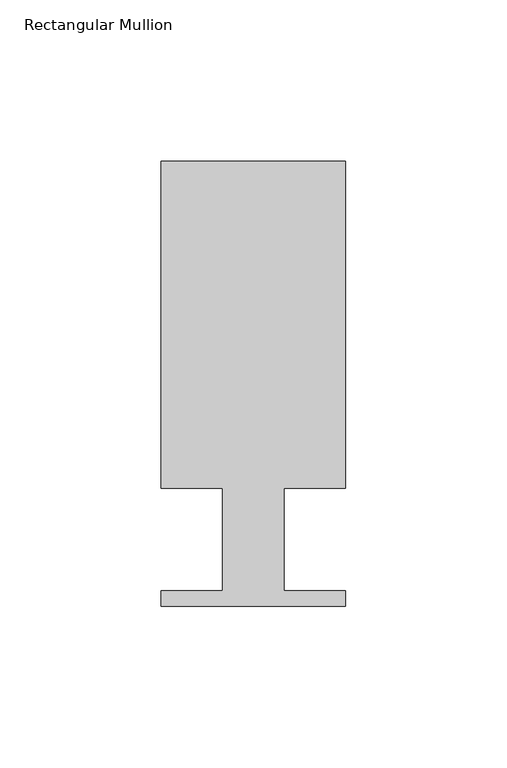
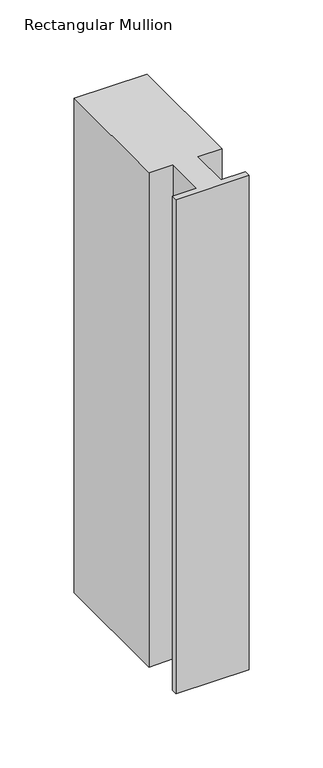
"""IFC4 building model written with IfcOpenShell, lengths in millimetres: member geometry, Rectangular Mullion."""

import ifcopenshell
import ifcopenshell.guid

model = None  # the IFC model being written
_history = None  # IfcOwnerHistory: only IFC2X3 demands one
_inside = {}  # id of a spatial element -> (the spatial element, [elements in it])
_under = {}  # id of a project, library or spatial element -> (it, [spatial elements below it])
_declared = {}  # id of a project -> (the project, [libraries it declares])
_typed = {}  # id of a type object -> (the type object, [elements of that type])
_made_of = {}  # id of a material, layer set ... -> (it, [elements and type objects made of it])


def new_model(schema):
    """Start an empty IFC model of exactly this schema.

    Asked for "IFC4X3", IfcOpenShell would pick the latest addendum, in which some entities
    have other attributes; the version numbers below select the first issue.
    IFC2X3 requires an IfcOwnerHistory on every rooted entity: one is made here for all.
    """
    global model, _history
    if schema == "IFC4X3":
        model = ifcopenshell.file(schema_version=(4, 3, 0, 0))
    else:
        model = ifcopenshell.file(schema=schema)
    _inside.clear()
    _under.clear()
    _declared.clear()
    _typed.clear()
    _made_of.clear()
    _history = None
    if model.schema == "IFC2X3":
        org = make("IfcOrganization", Name="unknown")
        user = make(
            "IfcPersonAndOrganization",
            ThePerson=make("IfcPerson", FamilyName="unknown"),
            TheOrganization=org,
        )
        app = make(
            "IfcApplication",
            ApplicationDeveloper=org,
            Version="unknown",
            ApplicationFullName="unknown",
            ApplicationIdentifier="unknown",
        )
        _history = make(
            "IfcOwnerHistory",
            OwningUser=user,
            OwningApplication=app,
            ChangeAction="ADDED",
            CreationDate=0,
        )
    return model


def make(cls, **values):
    """One entity of the class cls with the attributes given. An attribute that is None is left unset."""
    return model.create_entity(
        cls, **{name: value for name, value in values.items() if value is not None}
    )


def rooted(cls, **values):
    """An entity with a GlobalId (a new one), such as an element, a storey or a relation."""
    return make(cls, GlobalId=ifcopenshell.guid.new(), OwnerHistory=_history, **values)


def si_unit(unit_type, name, prefix=None):
    """IfcSIUnit, for example si_unit("LENGTHUNIT", "METRE", prefix="MILLI")."""
    return make("IfcSIUnit", UnitType=unit_type, Prefix=prefix, Name=name)


def assignment(units):
    """IfcUnitAssignment: the units of a project."""
    return None if units is None else make("IfcUnitAssignment", Units=units)


def point(xyz):
    """IfcCartesianPoint."""
    return None if xyz is None else make("IfcCartesianPoint", Coordinates=xyz)


def direction(xyz):
    """IfcDirection."""
    return None if xyz is None else make("IfcDirection", DirectionRatios=xyz)


def frame(location, z_axis=None, x_axis=None):
    """IfcAxis2Placement3D, a coordinate frame: its origin and axes. An axis left out is left unset."""
    return make(
        "IfcAxis2Placement3D",
        Location=point(location),
        Axis=direction(z_axis),
        RefDirection=direction(x_axis),
    )


def origin():
    """The frame at (0, 0, 0) with its axes left unset."""
    return frame((0.0, 0.0, 0.0))


def place(relative_to, where):
    """IfcLocalPlacement: puts the frame where relative to a parent placement (None: the world)."""
    return make(
        "IfcLocalPlacement", PlacementRelTo=relative_to, RelativePlacement=where
    )


def context(
    kind, dimensions, precision=None, world=None, true_north=None, identifier=None
):
    """IfcGeometricRepresentationContext, for example the 3D "Model" context."""
    return make(
        "IfcGeometricRepresentationContext",
        ContextIdentifier=identifier,
        ContextType=kind,
        CoordinateSpaceDimension=dimensions,
        Precision=precision,
        WorldCoordinateSystem=world,
        TrueNorth=true_north,
    )


def project(units=None, contexts=None):
    """IfcProject with its units and contexts."""
    return rooted(
        "IfcProject",
        Name="project",
        RepresentationContexts=contexts,
        UnitsInContext=assignment(units),
    )


def spatial(cls, under=None, at=None, **own):
    """A site, building, storey or space (cls), placed at a placement, below another one or the project."""
    s = rooted(cls, ObjectPlacement=at, **own)
    if under is not None:
        _under.setdefault(under.id(), (under, []))[1].append(s)
    return s


def polyline(points):
    """IfcPolyline through the points."""
    return make("IfcPolyline", Points=[point(p) for p in points])


def outline(outer, holes=None, kind="AREA"):
    """IfcArbitraryClosedProfileDef: a profile drawn as a closed curve; with holes, ...WithVoids."""
    if holes is None:
        return make("IfcArbitraryClosedProfileDef", ProfileType=kind, OuterCurve=outer)
    return make(
        "IfcArbitraryProfileDefWithVoids",
        ProfileType=kind,
        OuterCurve=outer,
        InnerCurves=holes,
    )


def extrude(swept, where, along, depth):
    """IfcExtrudedAreaSolid: the profile swept, set in the frame where, extruded along a direction by depth."""
    return make(
        "IfcExtrudedAreaSolid",
        SweptArea=swept,
        Position=where,
        ExtrudedDirection=direction(along),
        Depth=depth,
    )


def shape(context_of_items, identifier, shape_type, items):
    """IfcShapeRepresentation: the items that make up one representation, for example the "Body"."""
    return make(
        "IfcShapeRepresentation",
        ContextOfItems=context_of_items,
        RepresentationIdentifier=identifier,
        RepresentationType=shape_type,
        Items=items,
    )


def source(mapping_origin, context_of_items, identifier, shape_type, items):
    """IfcRepresentationMap: a shape defined once, which mapped items show again and again."""
    return make(
        "IfcRepresentationMap",
        MappingOrigin=mapping_origin,
        MappedRepresentation=shape(context_of_items, identifier, shape_type, items),
    )


def transform(
    local_origin,
    x_axis=None,
    y_axis=None,
    z_axis=None,
    scale=None,
    scale2=None,
    scale3=None,
    uniform=True,
):
    """IfcCartesianTransformationOperator3D, or its non-uniform kind. x_axis, y_axis, z_axis: its Axis1, 2, 3."""
    if uniform:
        return make(
            "IfcCartesianTransformationOperator3D",
            Axis1=direction(x_axis),
            Axis2=direction(y_axis),
            LocalOrigin=point(local_origin),
            Scale=scale,
            Axis3=direction(z_axis),
        )
    return make(
        "IfcCartesianTransformationOperator3DnonUniform",
        Axis1=direction(x_axis),
        Axis2=direction(y_axis),
        LocalOrigin=point(local_origin),
        Scale=scale,
        Axis3=direction(z_axis),
        Scale2=scale2,
        Scale3=scale3,
    )


def mapped(mapping_source, mapping_target):
    """IfcMappedItem: shows the shape of a source again, moved by a transform."""
    return make(
        "IfcMappedItem", MappingSource=mapping_source, MappingTarget=mapping_target
    )


def made_of(thing, what):
    """Note that an element or type object is made of a material, layer set ...; save() writes the relation."""
    if what is not None:
        _made_of.setdefault(what.id(), (what, []))[1].append(thing)
    return thing


def element(
    cls,
    number,
    at=None,
    inside=None,
    cuts=None,
    type_object=None,
    material=None,
    context=None,
    identifier="Body",
    shape_type=None,
    held_by="IfcProductDefinitionShape",
    body=None,
    shapes=None,
    **own,
):
    """One element of the class cls, such as IfcWall. Its Tag is "e" and its number.

    at: its placement. inside: the storey or other place that contains it. cuts: it is an
    opening in that element (IfcRelVoidsElement). A single representation is given by context,
    identifier, shape_type and body (its items); several are given by shapes. held_by: the class
    of the entity that holds the representations. save() writes the other relations.
    """
    e = rooted(cls, Tag="e%d" % number, ObjectPlacement=at, **own)
    if body is not None:
        shapes = [shape(context, identifier, shape_type, body)]
    if shapes is not None:
        e.Representation = make(held_by, Representations=shapes)
    if inside is not None:
        _inside.setdefault(inside.id(), (inside, []))[1].append(e)
    if cuts is not None:
        rooted(
            "IfcRelVoidsElement", RelatingBuildingElement=cuts, RelatedOpeningElement=e
        )
    if type_object is not None:
        _typed.setdefault(type_object.id(), (type_object, []))[1].append(e)
    return made_of(e, material)


def aggregate(whole, parts):
    """IfcRelAggregates: a whole, such as a stair, and the parts it consists of."""
    return rooted("IfcRelAggregates", RelatingObject=whole, RelatedObjects=parts)


def save(model, path):
    """Write the relations noted so far, then the file.

    IfcRelAggregates (storeys below a building ...), IfcRelContainedInSpatialStructure (elements
    in a storey), IfcRelDefinesByType, IfcRelAssociatesMaterial and IfcRelDeclares: one each for
    every whole, place, type object, material and project.
    """
    for whole, parts in _under.values():
        aggregate(whole, parts)
    for where, things in _inside.values():
        rooted(
            "IfcRelContainedInSpatialStructure",
            RelatedElements=things,
            RelatingStructure=where,
        )
    for kind, things in _typed.values():
        rooted("IfcRelDefinesByType", RelatedObjects=things, RelatingType=kind)
    for what, things in _made_of.values():
        rooted("IfcRelAssociatesMaterial", RelatedObjects=things, RelatingMaterial=what)
    for by, libraries in _declared.values():
        rooted("IfcRelDeclares", RelatingContext=by, RelatedDefinitions=libraries)
    model.write(path)


def rectangular_mullion_aa14a4ec(model_context):
    return source(origin(), model_context, "Body", "SweptSolid", [
        extrude(outline(polyline([(0.0, 138.3268125), (0.0, 37.1078125), (-19.05, 37.1078125), (-19.05, 5.3578125), (0.0, 5.3578125), (0.0, 0.5318125), (-57.15, 0.5318125), (-57.15, 5.3578125), (-38.1, 5.3578125), (-38.1, 37.1078125), (-57.15, 37.1078125), (-57.15, 138.3268125), (0.0, 138.3268125)])), frame((0.0, 0.0, -407.4183765), z_axis=(0.0, 0.0, 1.0), x_axis=(1.0, 0.0, 0.0)), (0.0, 0.0, 1.0), 407.4183765),
    ])


if __name__ == "__main__":
    model = new_model("IFC4")
    model_context = context("Model", 3, world=origin())
    ifc_project = project(units=[si_unit("LENGTHUNIT", "METRE", prefix="MILLI")], contexts=[model_context])
    site = spatial("IfcSite", under=ifc_project)
    building = spatial("IfcBuilding", under=site)
    placement = place(None, origin())
    rectangular_mullion_shape = rectangular_mullion_aa14a4ec(model_context)
    element("IfcMember", 1, ObjectType="Rectangular Mullion", at=placement, inside=building, context=model_context, shape_type="MappedRepresentation", body=[
        mapped(rectangular_mullion_shape, transform((0.0, 0.0, 0.0), x_axis=(1.0, 0.0, 0.0), y_axis=(0.0, 1.0, 0.0), z_axis=(0.0, 0.0, 1.0))),
    ])
    save(model, "model.ifc")
